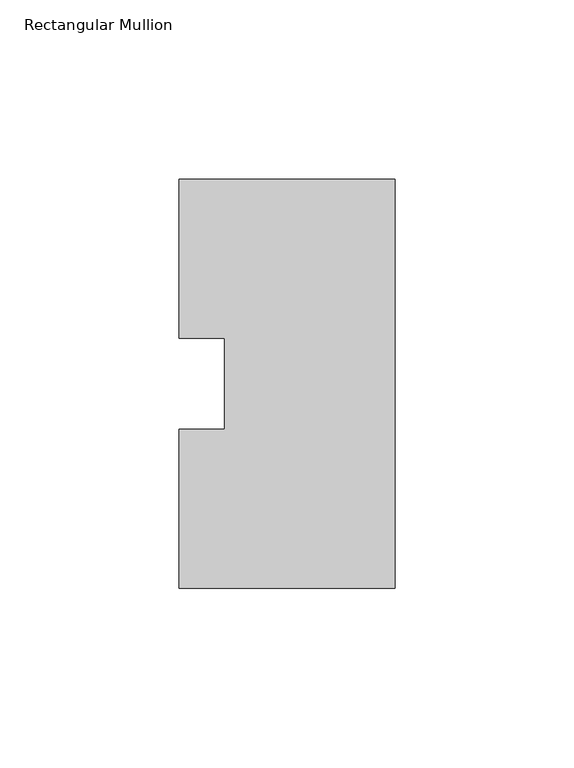
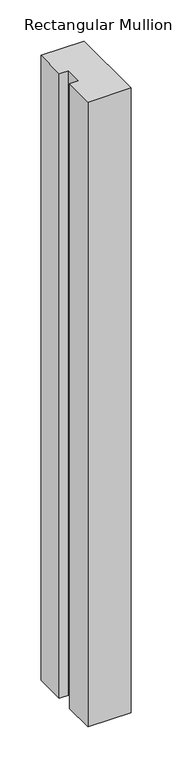
"""IFC4 building model written with IfcOpenShell, lengths in millimetres: member geometry, Rectangular Mullion."""

from ifc_helpers import new_model, si_unit, frame, origin, place, context, project, spatial, polyline, outline, extrude, source, transform, mapped, element, save


def rectangular_mullion_fb48a9e3(model_context):
    return source(origin(), model_context, "Body", "SweptSolid", [
        extrude(outline(polyline([(-60.325, 57.15), (0.0, 57.15), (0.0, -57.15), (-60.325, -57.15), (-60.325, -12.7), (-47.6232296, -12.7), (-47.6232296, 12.7), (-60.325, 12.7), (-60.325, 57.15)])), frame((0.0, 0.0, -925.9405973), z_axis=(0.0, 0.0, 1.0), x_axis=(1.0, 0.0, 0.0)), (0.0, 0.0, 1.0), 925.9405973),
    ])


if __name__ == "__main__":
    model = new_model("IFC4")
    model_context = context("Model", 3, world=origin())
    ifc_project = project(units=[si_unit("LENGTHUNIT", "METRE", prefix="MILLI")], contexts=[model_context])
    site = spatial("IfcSite", under=ifc_project)
    building = spatial("IfcBuilding", under=site)
    placement = place(None, origin())
    rectangular_mullion_shape = rectangular_mullion_fb48a9e3(model_context)
    element("IfcMember", 1, ObjectType="Rectangular Mullion", at=placement, inside=building, context=model_context, shape_type="MappedRepresentation", body=[
        mapped(rectangular_mullion_shape, transform((0.0, 0.0, 0.0), x_axis=(1.0, 0.0, 0.0), y_axis=(0.0, 1.0, 0.0), z_axis=(0.0, 0.0, 1.0))),
    ])
    save(model, "model.ifc")
